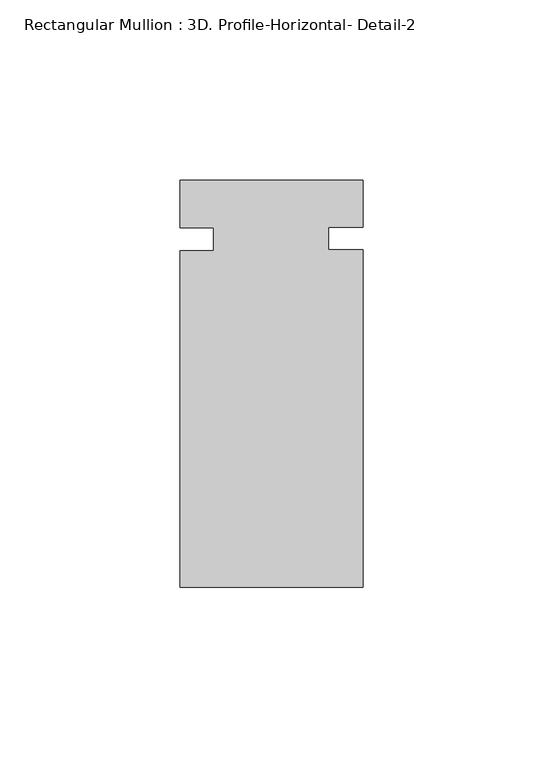
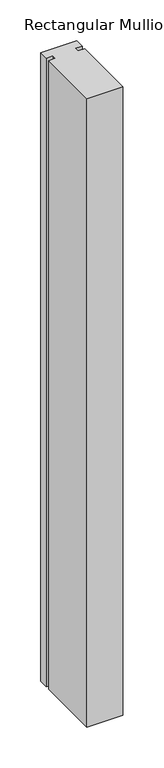
"""IFC4 building model written with IfcOpenShell, lengths in millimetres: member geometry, Rectangular Mullion : 3D. Profile-Horizontal- Detail-2."""

from ifc_helpers import new_model, si_unit, frame, origin, place, context, project, spatial, polyline, outline, extrude, source, transform, mapped, element, save


def rectangular_mullion_3d_profile_horizontal_detail_2_198e5a68(model_context):
    return source(origin(), model_context, "Body", "SweptSolid", [
        extrude(outline(polyline([(25.4, -39.2826875), (-25.4, -39.2826875), (-25.4, 54.211545), (-16.0655, 54.211545), (-16.0655, 60.561545), (-25.4, 60.561545), (-25.4, 73.7981125), (25.4, 73.7981125), (25.4, 60.7351778), (15.875, 60.7351778), (15.875, 54.3975801), (25.4, 54.3975801), (25.4, -39.2826875)])), frame((0.0, 0.0, -939.8), z_axis=(0.0, 0.0, 1.0), x_axis=(1.0, 0.0, 0.0)), (0.0, 0.0, 1.0), 939.8),
    ])


if __name__ == "__main__":
    model = new_model("IFC4")
    model_context = context("Model", 3, world=origin())
    ifc_project = project(units=[si_unit("LENGTHUNIT", "METRE", prefix="MILLI")], contexts=[model_context])
    site = spatial("IfcSite", under=ifc_project)
    building = spatial("IfcBuilding", under=site)
    placement = place(None, origin())
    rectangular_mullion_3d_profile_horizontal_detail_2_shape = rectangular_mullion_3d_profile_horizontal_detail_2_198e5a68(model_context)
    element("IfcMember", 1, ObjectType="Rectangular Mullion : 3D. Profile-Horizontal- Detail-2", at=placement, inside=building, context=model_context, shape_type="MappedRepresentation", body=[
        mapped(rectangular_mullion_3d_profile_horizontal_detail_2_shape, transform((0.0, 0.0, 0.0), x_axis=(1.0, 0.0, 0.0), y_axis=(0.0, 1.0, 0.0), z_axis=(0.0, 0.0, 1.0))),
    ])
    save(model, "model.ifc")
